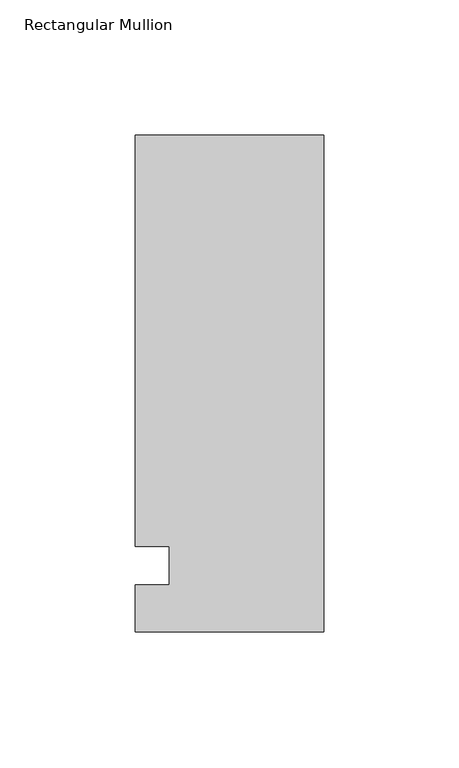
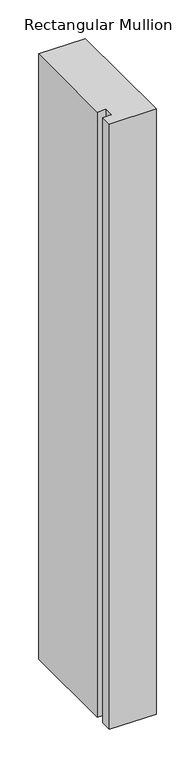
"""IFC4 building model written with IfcOpenShell, lengths in millimetres: member geometry, Rectangular Mullion."""

from ifc_helpers import new_model, si_unit, frame, origin, place, context, project, spatial, polyline, outline, extrude, source, transform, mapped, element, save


def rectangular_mullion_3c519a9a(model_context):
    return source(origin(), model_context, "Body", "SweptSolid", [
        extrude(outline(polyline([(-69.85, 159.54375), (0.0, 159.54375), (0.0, -24.60625), (-69.85, -24.60625), (-69.85, -7.14375), (-57.1482296, -7.14375), (-57.1482296, 7.14375), (-69.85, 7.14375), (-69.85, 159.54375)])), frame((0.0, 0.0, -958.85), z_axis=(0.0, 0.0, 1.0), x_axis=(1.0, 0.0, 0.0)), (0.0, 0.0, 1.0), 958.85),
    ])


if __name__ == "__main__":
    model = new_model("IFC4")
    model_context = context("Model", 3, world=origin())
    ifc_project = project(units=[si_unit("LENGTHUNIT", "METRE", prefix="MILLI")], contexts=[model_context])
    site = spatial("IfcSite", under=ifc_project)
    building = spatial("IfcBuilding", under=site)
    placement = place(None, origin())
    rectangular_mullion_shape = rectangular_mullion_3c519a9a(model_context)
    element("IfcMember", 1, ObjectType="Rectangular Mullion", at=placement, inside=building, context=model_context, shape_type="MappedRepresentation", body=[
        mapped(rectangular_mullion_shape, transform((0.0, 0.0, 0.0), x_axis=(1.0, 0.0, 0.0), y_axis=(0.0, 1.0, 0.0), z_axis=(0.0, 0.0, 1.0))),
    ])
    save(model, "model.ifc")
